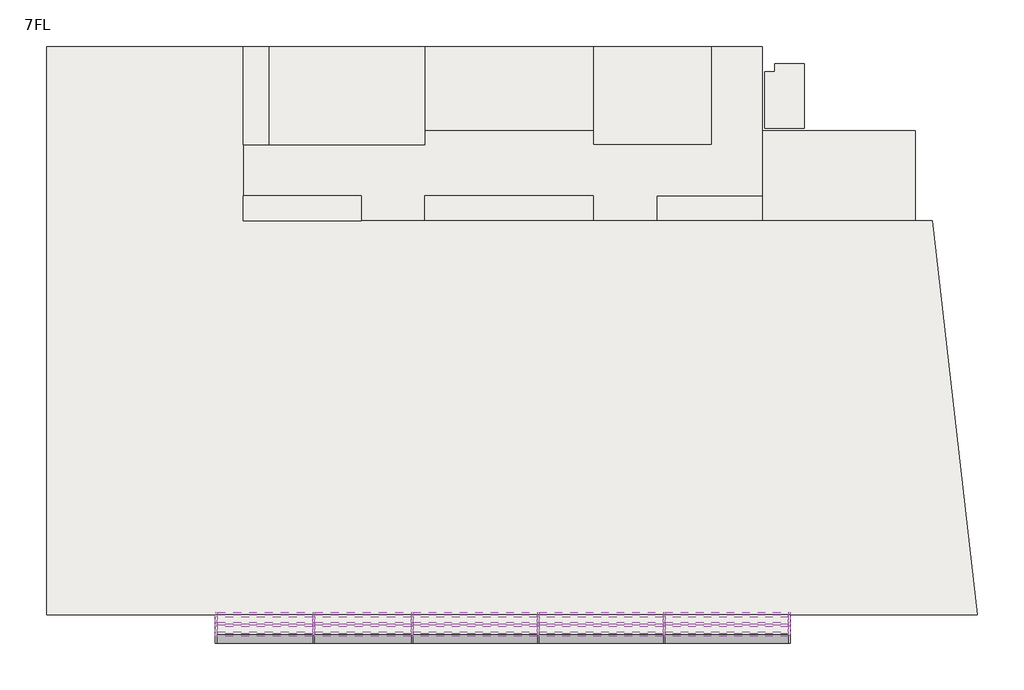
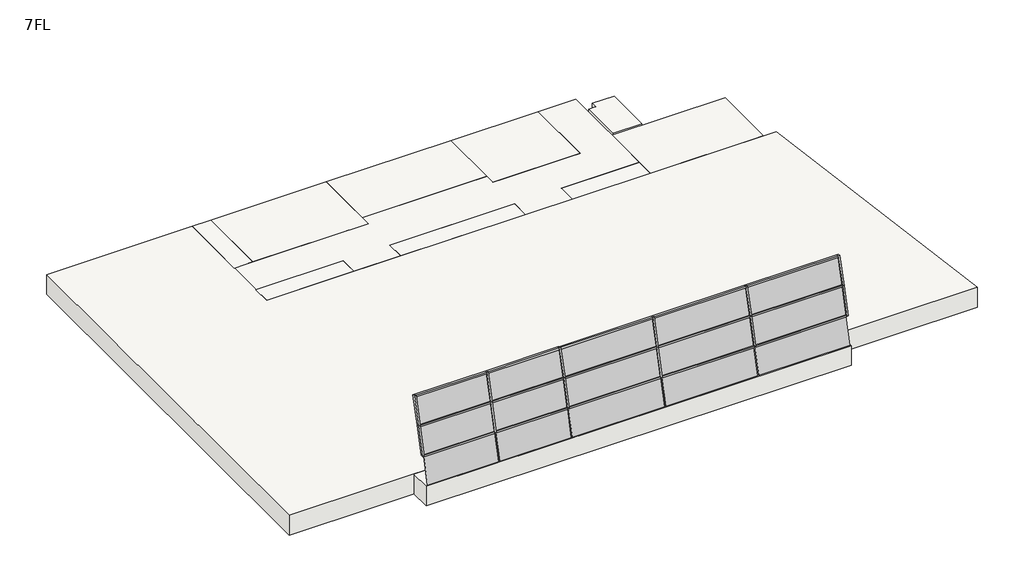
# One storey: 27 members, 15 plates, 12 slabs.
"""IFC4 building model written with IfcOpenShell, lengths in millimetres."""

import ifcopenshell
import ifcopenshell.guid

model = None  # the IFC model being written
_history = None  # IfcOwnerHistory: only IFC2X3 demands one
_inside = {}  # id of a spatial element -> (the spatial element, [elements in it])
_under = {}  # id of a project, library or spatial element -> (it, [spatial elements below it])
_declared = {}  # id of a project -> (the project, [libraries it declares])
_typed = {}  # id of a type object -> (the type object, [elements of that type])
_made_of = {}  # id of a material, layer set ... -> (it, [elements and type objects made of it])


def new_model(schema):
    """Start an empty IFC model of exactly this schema.

    Asked for "IFC4X3", IfcOpenShell would pick the latest addendum, in which some entities
    have other attributes; the version numbers below select the first issue.
    IFC2X3 requires an IfcOwnerHistory on every rooted entity: one is made here for all.
    """
    global model, _history
    if schema == "IFC4X3":
        model = ifcopenshell.file(schema_version=(4, 3, 0, 0))
    else:
        model = ifcopenshell.file(schema=schema)
    _inside.clear()
    _under.clear()
    _declared.clear()
    _typed.clear()
    _made_of.clear()
    _history = None
    if model.schema == "IFC2X3":
        org = make("IfcOrganization", Name="unknown")
        user = make(
            "IfcPersonAndOrganization",
            ThePerson=make("IfcPerson", FamilyName="unknown"),
            TheOrganization=org,
        )
        app = make(
            "IfcApplication",
            ApplicationDeveloper=org,
            Version="unknown",
            ApplicationFullName="unknown",
            ApplicationIdentifier="unknown",
        )
        _history = make(
            "IfcOwnerHistory",
            OwningUser=user,
            OwningApplication=app,
            ChangeAction="ADDED",
            CreationDate=0,
        )
    return model


def make(cls, **values):
    """One entity of the class cls with the attributes given. An attribute that is None is left unset."""
    return model.create_entity(
        cls, **{name: value for name, value in values.items() if value is not None}
    )


def rooted(cls, **values):
    """An entity with a GlobalId (a new one), such as an element, a storey or a relation."""
    return make(cls, GlobalId=ifcopenshell.guid.new(), OwnerHistory=_history, **values)


def si_unit(unit_type, name, prefix=None):
    """IfcSIUnit, for example si_unit("LENGTHUNIT", "METRE", prefix="MILLI")."""
    return make("IfcSIUnit", UnitType=unit_type, Prefix=prefix, Name=name)


def assignment(units):
    """IfcUnitAssignment: the units of a project."""
    return None if units is None else make("IfcUnitAssignment", Units=units)


def point(xyz):
    """IfcCartesianPoint."""
    return None if xyz is None else make("IfcCartesianPoint", Coordinates=xyz)


def direction(xyz):
    """IfcDirection."""
    return None if xyz is None else make("IfcDirection", DirectionRatios=xyz)


def frame(location, z_axis=None, x_axis=None):
    """IfcAxis2Placement3D, a coordinate frame: its origin and axes. An axis left out is left unset."""
    return make(
        "IfcAxis2Placement3D",
        Location=point(location),
        Axis=direction(z_axis),
        RefDirection=direction(x_axis),
    )


def origin():
    """The frame at (0, 0, 0) with its axes left unset."""
    return frame((0.0, 0.0, 0.0))


def origin_with_axes():
    """The frame at (0, 0, 0) with the z axis (0, 0, 1) and the x axis (1, 0, 0) written out."""
    return frame((0.0, 0.0, 0.0), z_axis=(0.0, 0.0, 1.0), x_axis=(1.0, 0.0, 0.0))


def place(relative_to, where):
    """IfcLocalPlacement: puts the frame where relative to a parent placement (None: the world)."""
    return make(
        "IfcLocalPlacement", PlacementRelTo=relative_to, RelativePlacement=where
    )


def context(
    kind, dimensions, precision=None, world=None, true_north=None, identifier=None
):
    """IfcGeometricRepresentationContext, for example the 3D "Model" context."""
    return make(
        "IfcGeometricRepresentationContext",
        ContextIdentifier=identifier,
        ContextType=kind,
        CoordinateSpaceDimension=dimensions,
        Precision=precision,
        WorldCoordinateSystem=world,
        TrueNorth=true_north,
    )


def project(units=None, contexts=None):
    """IfcProject with its units and contexts."""
    return rooted(
        "IfcProject",
        Name="project",
        RepresentationContexts=contexts,
        UnitsInContext=assignment(units),
    )


def spatial(cls, under=None, at=None, **own):
    """A site, building, storey or space (cls), placed at a placement, below another one or the project."""
    s = rooted(cls, ObjectPlacement=at, **own)
    if under is not None:
        _under.setdefault(under.id(), (under, []))[1].append(s)
    return s


def polyline(points):
    """IfcPolyline through the points."""
    return make("IfcPolyline", Points=[point(p) for p in points])


def outline(outer, holes=None, kind="AREA"):
    """IfcArbitraryClosedProfileDef: a profile drawn as a closed curve; with holes, ...WithVoids."""
    if holes is None:
        return make("IfcArbitraryClosedProfileDef", ProfileType=kind, OuterCurve=outer)
    return make(
        "IfcArbitraryProfileDefWithVoids",
        ProfileType=kind,
        OuterCurve=outer,
        InnerCurves=holes,
    )


def extrude(swept, where, along, depth):
    """IfcExtrudedAreaSolid: the profile swept, set in the frame where, extruded along a direction by depth."""
    return make(
        "IfcExtrudedAreaSolid",
        SweptArea=swept,
        Position=where,
        ExtrudedDirection=direction(along),
        Depth=depth,
    )


def shape(context_of_items, identifier, shape_type, items):
    """IfcShapeRepresentation: the items that make up one representation, for example the "Body"."""
    return make(
        "IfcShapeRepresentation",
        ContextOfItems=context_of_items,
        RepresentationIdentifier=identifier,
        RepresentationType=shape_type,
        Items=items,
    )


def source(mapping_origin, context_of_items, identifier, shape_type, items):
    """IfcRepresentationMap: a shape defined once, which mapped items show again and again."""
    return make(
        "IfcRepresentationMap",
        MappingOrigin=mapping_origin,
        MappedRepresentation=shape(context_of_items, identifier, shape_type, items),
    )


def transform(
    local_origin,
    x_axis=None,
    y_axis=None,
    z_axis=None,
    scale=None,
    scale2=None,
    scale3=None,
    uniform=True,
):
    """IfcCartesianTransformationOperator3D, or its non-uniform kind. x_axis, y_axis, z_axis: its Axis1, 2, 3."""
    if uniform:
        return make(
            "IfcCartesianTransformationOperator3D",
            Axis1=direction(x_axis),
            Axis2=direction(y_axis),
            LocalOrigin=point(local_origin),
            Scale=scale,
            Axis3=direction(z_axis),
        )
    return make(
        "IfcCartesianTransformationOperator3DnonUniform",
        Axis1=direction(x_axis),
        Axis2=direction(y_axis),
        LocalOrigin=point(local_origin),
        Scale=scale,
        Axis3=direction(z_axis),
        Scale2=scale2,
        Scale3=scale3,
    )


def mapped(mapping_source, mapping_target):
    """IfcMappedItem: shows the shape of a source again, moved by a transform."""
    return make(
        "IfcMappedItem", MappingSource=mapping_source, MappingTarget=mapping_target
    )


def made_of(thing, what):
    """Note that an element or type object is made of a material, layer set ...; save() writes the relation."""
    if what is not None:
        _made_of.setdefault(what.id(), (what, []))[1].append(thing)
    return thing


def element(
    cls,
    number,
    at=None,
    inside=None,
    cuts=None,
    type_object=None,
    material=None,
    context=None,
    identifier="Body",
    shape_type=None,
    held_by="IfcProductDefinitionShape",
    body=None,
    shapes=None,
    **own,
):
    """One element of the class cls, such as IfcWall. Its Tag is "e" and its number.

    at: its placement. inside: the storey or other place that contains it. cuts: it is an
    opening in that element (IfcRelVoidsElement). A single representation is given by context,
    identifier, shape_type and body (its items); several are given by shapes. held_by: the class
    of the entity that holds the representations. save() writes the other relations.
    """
    e = rooted(cls, Tag="e%d" % number, ObjectPlacement=at, **own)
    if body is not None:
        shapes = [shape(context, identifier, shape_type, body)]
    if shapes is not None:
        e.Representation = make(held_by, Representations=shapes)
    if inside is not None:
        _inside.setdefault(inside.id(), (inside, []))[1].append(e)
    if cuts is not None:
        rooted(
            "IfcRelVoidsElement", RelatingBuildingElement=cuts, RelatedOpeningElement=e
        )
    if type_object is not None:
        _typed.setdefault(type_object.id(), (type_object, []))[1].append(e)
    return made_of(e, material)


def aggregate(whole, parts):
    """IfcRelAggregates: a whole, such as a stair, and the parts it consists of."""
    return rooted("IfcRelAggregates", RelatingObject=whole, RelatedObjects=parts)


def save(model, path):
    """Write the relations noted so far, then the file.

    IfcRelAggregates (storeys below a building ...), IfcRelContainedInSpatialStructure (elements
    in a storey), IfcRelDefinesByType, IfcRelAssociatesMaterial and IfcRelDeclares: one each for
    every whole, place, type object, material and project.
    """
    for whole, parts in _under.values():
        aggregate(whole, parts)
    for where, things in _inside.values():
        rooted(
            "IfcRelContainedInSpatialStructure",
            RelatedElements=things,
            RelatingStructure=where,
        )
    for kind, things in _typed.values():
        rooted("IfcRelDefinesByType", RelatedObjects=things, RelatingType=kind)
    for what, things in _made_of.values():
        rooted("IfcRelAssociatesMaterial", RelatedObjects=things, RelatingMaterial=what)
    for by, libraries in _declared.values():
        rooted("IfcRelDeclares", RelatingContext=by, RelatedDefinitions=libraries)
    model.write(path)


def member_70x150_eea45503(model_context):
    return source(origin(), model_context, "Body", "SweptSolid", [
        extrude(outline(polyline([(-75.0, 0.1148654), (75.0, -0.1148654), (75.0, -1374.5594116), (-75.0, -1373.4451002), (-75.0, 0.1148654)])), frame((-35.0, 0.0, 0.0), z_axis=(1.0, 0.0, 0.0), x_axis=(0.0, 1.0, 0.0)), (0.0, 0.0, 1.0), 70.0),
    ])


def member_70x150_4811c8ea(model_context):
    return source(origin(), model_context, "Body", "SweptSolid", [
        extrude(outline(polyline([(-75.0, -0.5571557), (75.0, 0.5571557), (75.0, -1376.3360336), (-75.0, -1376.3360336), (-75.0, -0.5571557)])), frame((-35.0, 0.0, 0.0), z_axis=(1.0, 0.0, 0.0), x_axis=(0.0, 1.0, 0.0)), (0.0, 0.0, 1.0), 70.0),
    ])


def member_70x150_bba5452b(model_context):
    return source(origin(), model_context, "Body", "SweptSolid", [
        extrude(outline(polyline([(35.0, 75.0), (35.0, -75.0), (-35.0, -75.0), (-35.0, 75.0), (35.0, 75.0)])), frame((0.0, 0.0, -4413.3333333), z_axis=(0.0, 0.0, 1.0), x_axis=(1.0, 0.0, 0.0)), (0.0, 0.0, 1.0), 4413.3333333),
    ])


def member_70x150_7418113c(model_context):
    return source(origin(), model_context, "Body", "SweptSolid", [
        extrude(outline(polyline([(35.0, 75.0), (35.0, -75.0), (-35.0, -75.0), (-35.0, 75.0), (35.0, 75.0)])), frame((0.0, 0.0, -3430.0), z_axis=(0.0, 0.0, 1.0), x_axis=(1.0, 0.0, 0.0)), (0.0, 0.0, 1.0), 3430.0),
    ])


def member_70x150_d36ba8ce(model_context):
    return source(origin(), model_context, "Body", "SweptSolid", [
        extrude(outline(polyline([(35.0, 75.0), (35.0, -75.0), (-35.0, -75.0), (-35.0, 75.0), (35.0, 75.0)])), frame((0.0, 0.0, -3395.0), z_axis=(0.0, 0.0, 1.0), x_axis=(1.0, 0.0, 0.0)), (0.0, 0.0, 1.0), 3395.0),
    ])


def member_70x150_196fadc4(model_context):
    return source(origin(), model_context, "Body", "SweptSolid", [
        extrude(outline(polyline([(35.0, 75.0), (35.0, -75.0), (-35.0, -75.0), (-35.0, 75.0), (35.0, 75.0)])), frame((0.0, 0.0, -4378.3333333), z_axis=(0.0, 0.0, 1.0), x_axis=(1.0, 0.0, 0.0)), (0.0, 0.0, 1.0), 4378.3333333),
    ])


def member_70x150_47f9d012(model_context):
    return source(origin(), model_context, "Body", "SweptSolid", [
        extrude(outline(polyline([(-75.0, -0.5571557), (75.0, 0.5571557), (75.0, -1373.8873906), (-75.0, -1374.1171213), (-75.0, -0.5571557)])), frame((-70.0, 0.0, 0.0), z_axis=(1.0, 0.0, 0.0), x_axis=(0.0, 1.0, 0.0)), (0.0, 0.0, 1.0), 70.0),
    ])


def member_70x150_d4b40724(model_context):
    return source(origin(), model_context, "Body", "SweptSolid", [
        extrude(outline(polyline([(0.0, 75.0), (0.0, -75.0), (-70.0, -75.0), (-70.0, 75.0), (0.0, 75.0)])), frame((0.0, 0.0, -4413.3333333), z_axis=(0.0, 0.0, 1.0), x_axis=(1.0, 0.0, 0.0)), (0.0, 0.0, 1.0), 4413.3333333),
    ])


def member_70x150_0479a1cf(model_context):
    return source(origin(), model_context, "Body", "SweptSolid", [
        extrude(outline(polyline([(0.0, 75.0), (0.0, -75.0), (-70.0, -75.0), (-70.0, 75.0), (0.0, 75.0)])), frame((0.0, 0.0, -3395.0), z_axis=(0.0, 0.0, 1.0), x_axis=(1.0, 0.0, 0.0)), (0.0, 0.0, 1.0), 3395.0),
    ])


def member_70x150_b7995fa3(model_context):
    return source(origin(), model_context, "Body", "SweptSolid", [
        extrude(outline(polyline([(0.0, 75.0), (0.0, -75.0), (-70.0, -75.0), (-70.0, 75.0), (0.0, 75.0)])), frame((0.0, 0.0, -3430.0), z_axis=(0.0, 0.0, 1.0), x_axis=(1.0, 0.0, 0.0)), (0.0, 0.0, 1.0), 3430.0),
    ])


def member_70x150_12fba919(model_context):
    return source(origin(), model_context, "Body", "SweptSolid", [
        extrude(outline(polyline([(-75.0, 0.1148654), (75.0, -0.1148654), (75.0, -1374.5594116), (-75.0, -1373.4451002), (-75.0, 0.1148654)])), frame((-70.0, 0.0, 0.0), z_axis=(1.0, 0.0, 0.0), x_axis=(0.0, 1.0, 0.0)), (0.0, 0.0, 1.0), 70.0),
    ])


def member_70x150_3bd6464e(model_context):
    return source(origin(), model_context, "Body", "SweptSolid", [
        extrude(outline(polyline([(-75.0, -0.5571557), (75.0, 0.5571557), (75.0, -1376.3360336), (-75.0, -1376.3360336), (-75.0, -0.5571557)])), frame((-70.0, 0.0, 0.0), z_axis=(1.0, 0.0, 0.0), x_axis=(0.0, 1.0, 0.0)), (0.0, 0.0, 1.0), 70.0),
    ])


def member_70x150_7820ca82(model_context):
    return source(origin(), model_context, "Body", "SweptSolid", [
        extrude(outline(polyline([(-75.0, 0.0), (75.0, 0.0), (75.0, -1376.8931893), (-75.0, -1375.7788779), (-75.0, 0.0)])), frame((-70.0, 0.0, 0.0), z_axis=(1.0, 0.0, 0.0), x_axis=(0.0, 1.0, 0.0)), (0.0, 0.0, 1.0), 70.0),
    ])


def member_70x150_bca61de2(model_context):
    return source(origin(), model_context, "Body", "SweptSolid", [
        extrude(outline(polyline([(0.0, 75.0), (0.0, -75.0), (-70.0, -75.0), (-70.0, 75.0), (0.0, 75.0)])), frame((0.0, 0.0, -4378.3333333), z_axis=(0.0, 0.0, 1.0), x_axis=(1.0, 0.0, 0.0)), (0.0, 0.0, 1.0), 4378.3333333),
    ])


def plate_9692e4fa(model_context):
    return source(origin(), model_context, "Body", "SweptSolid", [
        extrude(outline(polyline([(1697.5, -5.0), (-1697.5, -5.0), (-1697.5, 5.0), (1697.5, 5.0), (1697.5, -5.0)])), origin_with_axes(), (0.0, 0.0, 1.0), 1308.5896702),
    ])


def plate_f11d1d75(model_context):
    return source(origin(), model_context, "Body", "SweptSolid", [
        extrude(outline(polyline([(1697.5, -5.0), (-1697.5, -5.0), (-1697.5, 5.0), (1697.5, 5.0), (1697.5, -5.0)])), origin_with_axes(), (0.0, 0.0, 1.0), 1271.3360336),
    ])


def plate_46db5dea(model_context):
    return source(origin(), model_context, "Body", "SweptSolid", [
        extrude(outline(polyline([(1697.5, -5.0), (-1697.5, -5.0), (-1697.5, 5.0), (1697.5, 5.0), (1697.5, -5.0)])), origin_with_axes(), (0.0, 0.0, 1.0), 1304.0022559),
    ])


def plate_239037d2(model_context):
    return source(origin(), model_context, "Body", "SweptSolid", [
        extrude(outline(polyline([(2206.6666667, -5.0), (-2206.6666667, -5.0), (-2206.6666667, 5.0), (2206.6666667, 5.0), (2206.6666667, -5.0)])), origin_with_axes(), (0.0, 0.0, 1.0), 1308.5896702),
    ])


def plate_47bbfc24(model_context):
    return source(origin(), model_context, "Body", "SweptSolid", [
        extrude(outline(polyline([(2206.6666667, -5.0), (-2206.6666667, -5.0), (-2206.6666667, 5.0), (2206.6666667, 5.0), (2206.6666667, -5.0)])), origin_with_axes(), (0.0, 0.0, 1.0), 1304.0022559),
    ])


def plate_ddc2c518(model_context):
    return source(origin(), model_context, "Body", "SweptSolid", [
        extrude(outline(polyline([(2206.6666667, -5.0), (-2206.6666667, -5.0), (-2206.6666667, 5.0), (2206.6666667, 5.0), (2206.6666667, -5.0)])), origin_with_axes(), (0.0, 0.0, 1.0), 1271.3360336),
    ])


def plate_61a742bf(model_context):
    return source(origin(), model_context, "Body", "SweptSolid", [
        extrude(outline(polyline([(1715.0, -5.0), (-1715.0, -5.0), (-1715.0, 5.0), (1715.0, 5.0), (1715.0, -5.0)])), origin_with_axes(), (0.0, 0.0, 1.0), 1308.5896702),
    ])


def plate_549cec87(model_context):
    return source(origin(), model_context, "Body", "SweptSolid", [
        extrude(outline(polyline([(1715.0, -5.0), (-1715.0, -5.0), (-1715.0, 5.0), (1715.0, 5.0), (1715.0, -5.0)])), origin_with_axes(), (0.0, 0.0, 1.0), 1304.0022559),
    ])


def plate_9ea5d261(model_context):
    return source(origin(), model_context, "Body", "SweptSolid", [
        extrude(outline(polyline([(1715.0, -5.0), (-1715.0, -5.0), (-1715.0, 5.0), (1715.0, 5.0), (1715.0, -5.0)])), origin_with_axes(), (0.0, 0.0, 1.0), 1271.3360336),
    ])


def plate_75c09d78(model_context):
    return source(origin(), model_context, "Body", "SweptSolid", [
        extrude(outline(polyline([(2189.1666667, -5.0), (-2189.1666667, -5.0), (-2189.1666667, 5.0), (2189.1666667, 5.0), (2189.1666667, -5.0)])), origin_with_axes(), (0.0, 0.0, 1.0), 1308.5896702),
    ])


def plate_e2205a2a(model_context):
    return source(origin(), model_context, "Body", "SweptSolid", [
        extrude(outline(polyline([(2189.1666667, -5.0), (-2189.1666667, -5.0), (-2189.1666667, 5.0), (2189.1666667, 5.0), (2189.1666667, -5.0)])), origin_with_axes(), (0.0, 0.0, 1.0), 1304.0022559),
    ])


def plate_d548f6b0(model_context):
    return source(origin(), model_context, "Body", "SweptSolid", [
        extrude(outline(polyline([(2189.1666667, -5.0), (-2189.1666667, -5.0), (-2189.1666667, 5.0), (2189.1666667, 5.0), (2189.1666667, -5.0)])), origin_with_axes(), (0.0, 0.0, 1.0), 1271.3360336),
    ])


model = new_model("IFC4")

# Units and contexts
model_context = context("Model", 3, world=origin())
ifc_project = project(units=[si_unit("LENGTHUNIT", "METRE", prefix="MILLI")], contexts=[model_context])

# Site, building, storey
site = spatial("IfcSite", under=ifc_project)
building = spatial("IfcBuilding", under=site)
storey = spatial("IfcBuildingStorey", under=building, Name="7FL", Elevation=24600.0)

# Members
placement = place(None, origin())
member_70x150_shape = member_70x150_eea45503(model_context)
element("IfcMember", 1, ObjectType="70x150", at=placement, inside=storey, context=model_context, shape_type="MappedRepresentation", body=[
    mapped(member_70x150_shape, transform((-15845.9784025, -4235.8981601, 25936.5592913), x_axis=(1.0, 0.0, 0.0), y_axis=(0.0, -0.9702580771705492, 0.2420728478894497), z_axis=(0.0, -0.24207284788944966, -0.9702580771705491))),
])
element("IfcMember", 2, ObjectType="70x150", at=placement, inside=storey, context=model_context, shape_type="MappedRepresentation", body=[
    mapped(member_70x150_shape, transform((-19345.9784025, -4235.8981601, 25936.5592913), x_axis=(1.0, 0.0, 0.0), y_axis=(0.0, -0.9702580771705491, 0.24207284788945005), z_axis=(0.0, -0.24207284788945005, -0.9702580771705491))),
])
element("IfcMember", 3, ObjectType="70x150", at=placement, inside=storey, context=model_context, shape_type="MappedRepresentation", body=[
    mapped(member_70x150_shape, transform((-6879.3117358, -4235.8981601, 25936.5592913), x_axis=(1.0, 0.0, 0.0), y_axis=(0.0, -0.9702580771705491, 0.24207284788945005), z_axis=(0.0, -0.24207284788945005, -0.9702580771705491))),
])
element("IfcMember", 4, ObjectType="70x150", at=placement, inside=storey, context=model_context, shape_type="MappedRepresentation", body=[
    mapped(member_70x150_shape, transform((-11362.6450692, -4235.8981601, 25936.5592913), x_axis=(1.0, 0.0, 0.0), y_axis=(0.0, -0.9702580771705491, 0.24207284788945005), z_axis=(0.0, -0.24207284788945005, -0.9702580771705491))),
])
member_70x150_2_shape = member_70x150_4811c8ea(model_context)
element("IfcMember", 5, ObjectType="70x150", at=placement, inside=storey, context=model_context, shape_type="MappedRepresentation", body=[
    mapped(member_70x150_2_shape, transform((-15845.9784025, -3903.289521, 27269.6960781), x_axis=(1.0, 0.0, 0.0), y_axis=(0.0, -0.9665545981452297, 0.25646093036623285), z_axis=(0.0, -0.2564609303662328, -0.9665545981452296))),
])
element("IfcMember", 6, ObjectType="70x150", at=placement, inside=storey, context=model_context, shape_type="MappedRepresentation", body=[
    mapped(member_70x150_2_shape, transform((-19345.9784025, -3903.289521, 27269.6960781), x_axis=(1.0, 0.0, 0.0), y_axis=(0.0, -0.9665545981452298, 0.25646093036623246), z_axis=(0.0, -0.25646093036623246, -0.9665545981452298))),
])
element("IfcMember", 7, ObjectType="70x150", at=placement, inside=storey, context=model_context, shape_type="MappedRepresentation", body=[
    mapped(member_70x150_2_shape, transform((-6879.3117358, -3903.289521, 27269.6960781), x_axis=(1.0, 0.0, 0.0), y_axis=(0.0, -0.9665545981452299, 0.25646093036623163), z_axis=(0.0, -0.25646093036623163, -0.9665545981452299))),
])
element("IfcMember", 8, ObjectType="70x150", at=placement, inside=storey, context=model_context, shape_type="MappedRepresentation", body=[
    mapped(member_70x150_2_shape, transform((-11362.6450692, -3903.289521, 27269.6960781), x_axis=(1.0, 0.0, 0.0), y_axis=(0.0, -0.9665545981452298, 0.25646093036623246), z_axis=(0.0, -0.25646093036623246, -0.9665545981452298))),
])
member_70x150_3_shape = member_70x150_bba5452b(model_context)
element("IfcMember", 9, ObjectType="70x150", at=placement, inside=storey, context=model_context, shape_type="MappedRepresentation", body=[
    mapped(member_70x150_3_shape, transform((-6914.3117358, -4235.8981601, 25936.5592913), x_axis=(0.0, 0.24108878700660236, 0.9705030637662537), y_axis=(0.0, -0.9705030637662537, 0.24108878700660236), z_axis=(1.0, 0.0, 0.0))),
])
element("IfcMember", 10, ObjectType="70x150", at=placement, inside=storey, context=model_context, shape_type="MappedRepresentation", body=[
    mapped(member_70x150_3_shape, transform((-11397.6450692, -4235.8981601, 25936.5592913), x_axis=(0.0, 0.2410887870066024, 0.9705030637662537), y_axis=(0.0, -0.9705030637662537, 0.2410887870066024), z_axis=(1.0, 0.0, 0.0))),
])
element("IfcMember", 11, ObjectType="70x150", at=placement, inside=storey, context=model_context, shape_type="MappedRepresentation", body=[
    mapped(member_70x150_3_shape, transform((-6914.3117358, -3903.289521, 27269.6960781), x_axis=(0.0, 0.2461732683785715, 0.9692258363951158), y_axis=(0.0, -0.9692258363951158, 0.2461732683785715), z_axis=(1.0, 0.0, 0.0))),
])
element("IfcMember", 12, ObjectType="70x150", at=placement, inside=storey, context=model_context, shape_type="MappedRepresentation", body=[
    mapped(member_70x150_3_shape, transform((-11397.6450692, -3903.289521, 27269.6960781), x_axis=(0.0, 0.24617326837857148, 0.9692258363951158), y_axis=(0.0, -0.9692258363951158, 0.24617326837857148), z_axis=(1.0, 0.0, 0.0))),
])
member_70x150_4_shape = member_70x150_7418113c(model_context)
element("IfcMember", 13, ObjectType="70x150", at=placement, inside=storey, context=model_context, shape_type="MappedRepresentation", body=[
    mapped(member_70x150_4_shape, transform((-15880.9784025, -4235.8981601, 25936.5592913), x_axis=(0.0, 0.2410887870066024, 0.9705030637662537), y_axis=(0.0, -0.9705030637662537, 0.2410887870066024), z_axis=(1.0, 0.0, 0.0))),
])
element("IfcMember", 14, ObjectType="70x150", at=placement, inside=storey, context=model_context, shape_type="MappedRepresentation", body=[
    mapped(member_70x150_4_shape, transform((-15880.9784025, -3903.289521, 27269.6960781), x_axis=(0.0, 0.24617326837857148, 0.9692258363951158), y_axis=(0.0, -0.9692258363951158, 0.24617326837857148), z_axis=(1.0, 0.0, 0.0))),
])
member_70x150_5_shape = member_70x150_d36ba8ce(model_context)
element("IfcMember", 15, ObjectType="70x150", at=placement, inside=storey, context=model_context, shape_type="MappedRepresentation", body=[
    mapped(member_70x150_5_shape, transform((-19380.9784025, -4235.8981601, 25936.5592913), x_axis=(0.0, 0.24108878700660244, 0.9705030637662537), y_axis=(0.0, -0.9705030637662537, 0.24108878700660244), z_axis=(1.0, 0.0, 0.0))),
])
element("IfcMember", 16, ObjectType="70x150", at=placement, inside=storey, context=model_context, shape_type="MappedRepresentation", body=[
    mapped(member_70x150_5_shape, transform((-19380.9784025, -3903.289521, 27269.6960781), x_axis=(0.0, 0.2461732683785713, 0.9692258363951158), y_axis=(0.0, -0.9692258363951158, 0.2461732683785713), z_axis=(1.0, 0.0, 0.0))),
])
member_70x150_6_shape = member_70x150_196fadc4(model_context)
element("IfcMember", 17, ObjectType="70x150", at=placement, inside=storey, context=model_context, shape_type="MappedRepresentation", body=[
    mapped(member_70x150_6_shape, transform((-2465.9784025, -4235.8981601, 25936.5592913), x_axis=(0.0, 0.24108878700660236, 0.9705030637662537), y_axis=(0.0, -0.9705030637662537, 0.24108878700660236), z_axis=(1.0, 0.0, 0.0))),
])
element("IfcMember", 18, ObjectType="70x150", at=placement, inside=storey, context=model_context, shape_type="MappedRepresentation", body=[
    mapped(member_70x150_6_shape, transform((-2465.9784025, -3903.289521, 27269.6960781), x_axis=(0.0, 0.2461732683785713, 0.9692258363951158), y_axis=(0.0, -0.9692258363951158, 0.2461732683785713), z_axis=(1.0, 0.0, 0.0))),
])
member_70x150_7_shape = member_70x150_47f9d012(model_context)
element("IfcMember", 19, ObjectType="70x150", at=placement, inside=storey, context=model_context, shape_type="MappedRepresentation", body=[
    mapped(member_70x150_7_shape, transform((-22845.9784025, -3903.289521, 27269.6960781), x_axis=(-1.0, 0.0, 0.0), y_axis=(0.0, -0.9702580771705491, 0.24207284788945005), z_axis=(0.0, 0.24207284788945005, 0.9702580771705491))),
])
member_70x150_8_shape = member_70x150_d4b40724(model_context)
element("IfcMember", 20, ObjectType="70x150", at=placement, inside=storey, context=model_context, shape_type="MappedRepresentation", body=[
    mapped(member_70x150_8_shape, transform((-6914.3117358, -3550.3131013, 28600.0), x_axis=(0.0, 0.25646093036623163, 0.9665545981452299), y_axis=(0.0, -0.9665545981452299, 0.25646093036623163), z_axis=(1.0, 0.0, 0.0))),
])
element("IfcMember", 21, ObjectType="70x150", at=placement, inside=storey, context=model_context, shape_type="MappedRepresentation", body=[
    mapped(member_70x150_8_shape, transform((-11397.6450692, -3550.3131013, 28600.0), x_axis=(0.0, 0.2564609303662324, 0.9665545981452298), y_axis=(0.0, -0.9665545981452298, 0.2564609303662324), z_axis=(1.0, 0.0, 0.0))),
])
member_70x150_9_shape = member_70x150_0479a1cf(model_context)
element("IfcMember", 22, ObjectType="70x150", at=placement, inside=storey, context=model_context, shape_type="MappedRepresentation", body=[
    mapped(member_70x150_9_shape, transform((-19380.9784025, -3550.3131013, 28600.0), x_axis=(0.0, 0.25646093036623246, 0.9665545981452297), y_axis=(0.0, -0.9665545981452297, 0.25646093036623246), z_axis=(1.0, 0.0, 0.0))),
])
member_70x150_10_shape = member_70x150_b7995fa3(model_context)
element("IfcMember", 23, ObjectType="70x150", at=placement, inside=storey, context=model_context, shape_type="MappedRepresentation", body=[
    mapped(member_70x150_10_shape, transform((-15880.9784025, -3550.3131013, 28600.0), x_axis=(0.0, 0.25646093036623285, 0.9665545981452297), y_axis=(0.0, -0.9665545981452297, 0.25646093036623285), z_axis=(1.0, 0.0, 0.0))),
])
member_70x150_11_shape = member_70x150_12fba919(model_context)
element("IfcMember", 24, ObjectType="70x150", at=placement, inside=storey, context=model_context, shape_type="MappedRepresentation", body=[
    mapped(member_70x150_11_shape, transform((-2395.9784025, -4235.8981601, 25936.5592913), x_axis=(1.0, 0.0, 0.0), y_axis=(0.0, -0.9702580771705491, 0.24207284788945005), z_axis=(0.0, -0.24207284788945005, -0.9702580771705491))),
])
member_70x150_12_shape = member_70x150_3bd6464e(model_context)
element("IfcMember", 25, ObjectType="70x150", at=placement, inside=storey, context=model_context, shape_type="MappedRepresentation", body=[
    mapped(member_70x150_12_shape, transform((-2395.9784025, -3903.289521, 27269.6960781), x_axis=(1.0, 0.0, 0.0), y_axis=(0.0, -0.9665545981452298, 0.25646093036623246), z_axis=(0.0, -0.25646093036623246, -0.9665545981452298))),
])
member_70x150_13_shape = member_70x150_7820ca82(model_context)
element("IfcMember", 26, ObjectType="70x150", at=placement, inside=storey, context=model_context, shape_type="MappedRepresentation", body=[
    mapped(member_70x150_13_shape, transform((-22845.9784025, -3550.3131013, 28600.0), x_axis=(-1.0, 0.0, 0.0), y_axis=(0.0, -0.9665545981452298, 0.25646093036623246), z_axis=(0.0, 0.25646093036623246, 0.9665545981452298))),
])
member_70x150_14_shape = member_70x150_bca61de2(model_context)
element("IfcMember", 27, ObjectType="70x150", at=placement, inside=storey, context=model_context, shape_type="MappedRepresentation", body=[
    mapped(member_70x150_14_shape, transform((-2465.9784025, -3550.3131013, 28600.0), x_axis=(0.0, 0.2564609303662324, 0.9665545981452297), y_axis=(0.0, -0.9665545981452297, 0.2564609303662324), z_axis=(1.0, 0.0, 0.0))),
])

# Plates
plate_shape = plate_9692e4fa(model_context)
element("IfcPlate", 28, at=placement, inside=storey, context=model_context, shape_type="MappedRepresentation", body=[
    mapped(plate_shape, transform((-21078.4784025, -4565.1363167, 24633.9329297), x_axis=(1.0, 0.0, 0.0), y_axis=(0.0, 0.9695120396803403, -0.24504367960603773), z_axis=(0.0, 0.24504367960603773, 0.9695120396803403))),
])
plate_2_shape = plate_f11d1d75(model_context)
element("IfcPlate", 29, at=placement, inside=storey, context=model_context, shape_type="MappedRepresentation", body=[
    mapped(plate_2_shape, transform((-21078.4784025, -3894.3133884, 27303.5254891), x_axis=(1.0, 0.0, 0.0), y_axis=(0.0, 0.9665545981452297, -0.25646093036623246), z_axis=(0.0, 0.25646093036623246, 0.9665545981452297))),
])
plate_3_shape = plate_46db5dea(model_context)
element("IfcPlate", 30, at=placement, inside=storey, context=model_context, shape_type="MappedRepresentation", body=[
    mapped(plate_3_shape, transform((-21078.4784025, -4227.4256104, 25970.518324), x_axis=(1.0, 0.0, 0.0), y_axis=(0.0, 0.9702580771705491, -0.24207284788945005), z_axis=(0.0, 0.24207284788945005, 0.9702580771705491))),
])
plate_4_shape = plate_239037d2(model_context)
element("IfcPlate", 31, at=placement, inside=storey, context=model_context, shape_type="MappedRepresentation", body=[
    mapped(plate_4_shape, transform((-13604.3117358, -4565.1363167, 24633.9329297), x_axis=(1.0, 0.0, 0.0), y_axis=(0.0, 0.9695120396803403, -0.24504367960603773), z_axis=(0.0, 0.24504367960603773, 0.9695120396803403))),
])
element("IfcPlate", 32, at=placement, inside=storey, context=model_context, shape_type="MappedRepresentation", body=[
    mapped(plate_4_shape, transform((-9120.9784025, -4565.1363167, 24633.9329297), x_axis=(1.0, 0.0, 0.0), y_axis=(0.0, 0.9695120396803403, -0.24504367960603773), z_axis=(0.0, 0.24504367960603773, 0.9695120396803403))),
])
plate_5_shape = plate_47bbfc24(model_context)
element("IfcPlate", 33, at=placement, inside=storey, context=model_context, shape_type="MappedRepresentation", body=[
    mapped(plate_5_shape, transform((-13604.3117358, -4227.4256104, 25970.518324), x_axis=(1.0, 0.0, 0.0), y_axis=(0.0, 0.9702580771705491, -0.24207284788945002), z_axis=(0.0, 0.24207284788945002, 0.9702580771705491))),
])
element("IfcPlate", 34, at=placement, inside=storey, context=model_context, shape_type="MappedRepresentation", body=[
    mapped(plate_5_shape, transform((-9120.9784025, -4227.4256104, 25970.518324), x_axis=(1.0, 0.0, 0.0), y_axis=(0.0, 0.9702580771705491, -0.24207284788945002), z_axis=(0.0, 0.24207284788945002, 0.9702580771705491))),
])
plate_6_shape = plate_ddc2c518(model_context)
element("IfcPlate", 35, at=placement, inside=storey, context=model_context, shape_type="MappedRepresentation", body=[
    mapped(plate_6_shape, transform((-13604.3117358, -3894.3133884, 27303.5254891), x_axis=(1.0, 0.0, 0.0), y_axis=(0.0, 0.9665545981452298, -0.2564609303662324), z_axis=(0.0, 0.2564609303662324, 0.9665545981452298))),
])
element("IfcPlate", 36, at=placement, inside=storey, context=model_context, shape_type="MappedRepresentation", body=[
    mapped(plate_6_shape, transform((-9120.9784025, -3894.3133884, 27303.5254891), x_axis=(1.0, 0.0, 0.0), y_axis=(0.0, 0.9665545981452299, -0.25646093036623163), z_axis=(0.0, 0.25646093036623163, 0.9665545981452299))),
])
plate_7_shape = plate_61a742bf(model_context)
element("IfcPlate", 37, at=placement, inside=storey, context=model_context, shape_type="MappedRepresentation", body=[
    mapped(plate_7_shape, transform((-17595.9784025, -4565.1363167, 24633.9329297), x_axis=(1.0, 0.0, 0.0), y_axis=(0.0, 0.9695120396803403, -0.24504367960603776), z_axis=(0.0, 0.24504367960603776, 0.9695120396803403))),
])
plate_8_shape = plate_549cec87(model_context)
element("IfcPlate", 38, at=placement, inside=storey, context=model_context, shape_type="MappedRepresentation", body=[
    mapped(plate_8_shape, transform((-17595.9784025, -4227.4256104, 25970.518324), x_axis=(1.0, 0.0, 0.0), y_axis=(0.0, 0.9702580771705492, -0.24207284788944966), z_axis=(0.0, 0.24207284788944966, 0.9702580771705492))),
])
plate_9_shape = plate_9ea5d261(model_context)
element("IfcPlate", 39, at=placement, inside=storey, context=model_context, shape_type="MappedRepresentation", body=[
    mapped(plate_9_shape, transform((-17595.9784025, -3894.3133884, 27303.5254891), x_axis=(1.0, 0.0, 0.0), y_axis=(0.0, 0.9665545981452297, -0.25646093036623285), z_axis=(0.0, 0.25646093036623285, 0.9665545981452297))),
])
plate_10_shape = plate_75c09d78(model_context)
element("IfcPlate", 40, at=placement, inside=storey, context=model_context, shape_type="MappedRepresentation", body=[
    mapped(plate_10_shape, transform((-4655.1450692, -4565.1363167, 24633.9329297), x_axis=(1.0, 0.0, 0.0), y_axis=(0.0, 0.9695120396803403, -0.24504367960603773), z_axis=(0.0, 0.24504367960603773, 0.9695120396803403))),
])
plate_11_shape = plate_e2205a2a(model_context)
element("IfcPlate", 41, at=placement, inside=storey, context=model_context, shape_type="MappedRepresentation", body=[
    mapped(plate_11_shape, transform((-4655.1450692, -4227.4256104, 25970.518324), x_axis=(1.0, 0.0, 0.0), y_axis=(0.0, 0.9702580771705491, -0.24207284788945002), z_axis=(0.0, 0.24207284788945002, 0.9702580771705491))),
])
plate_12_shape = plate_d548f6b0(model_context)
element("IfcPlate", 42, at=placement, inside=storey, context=model_context, shape_type="MappedRepresentation", body=[
    mapped(plate_12_shape, transform((-4655.1450692, -3894.3133884, 27303.5254891), x_axis=(1.0, 0.0, 0.0), y_axis=(0.0, 0.9665545981452297, -0.2564609303662324), z_axis=(0.0, 0.2564609303662324, 0.9665545981452297))),
])

# Slabs
element("IfcSlab", 43, at=placement, inside=storey, context=model_context, shape_type="SweptSolid", body=[
    extrude(outline(polyline([(2054.0215975, 13649.6868987), (2054.0215975, 10449.6868987), (-3395.9784025, 10449.6868987), (-3395.9784025, 13649.6868987), (2054.0215975, 13649.6868987)])), frame((0.0, 0.0, 23600.0), z_axis=(0.0, 0.0, 1.0), x_axis=(1.0, 0.0, 0.0)), (0.0, 0.0, 1.0), 1000.0),
])
element("IfcSlab", 44, at=placement, inside=storey, context=model_context, shape_type="SweptSolid", body=[
    extrude(outline(polyline([(-3395.9784025, 11349.6868987), (-3395.9784025, 10449.6868987), (-7145.9784025, 10449.6868987), (-7145.9784025, 11349.6868987), (-3395.9784025, 11349.6868987)])), frame((0.0, 0.0, 23600.0), z_axis=(0.0, 0.0, 1.0), x_axis=(1.0, 0.0, 0.0)), (0.0, 0.0, 1.0), 1000.0),
])
element("IfcSlab", 45, at=placement, inside=storey, context=model_context, shape_type="SweptSolid", body=[
    extrude(outline(polyline([(-9395.9784025, 11349.6868987), (-9395.9784025, 10449.6868987), (-15395.9784025, 10449.6868987), (-15395.9784025, 11349.6868987), (-9395.9784025, 11349.6868987)])), frame((0.0, 0.0, 23600.0), z_axis=(0.0, 0.0, 1.0), x_axis=(1.0, 0.0, 0.0)), (0.0, 0.0, 1.0), 1000.0),
])
element("IfcSlab", 46, at=placement, inside=storey, context=model_context, shape_type="SweptSolid", body=[
    extrude(outline(polyline([(-17645.9784025, 11349.6868987), (-17645.9784025, 10449.6868987), (-21845.9784025, 10449.6868987), (-21845.9784025, 11349.6868987), (-17645.9784025, 11349.6868987)])), frame((0.0, 0.0, 23600.0), z_axis=(0.0, 0.0, 1.0), x_axis=(1.0, 0.0, 0.0)), (0.0, 0.0, 1.0), 1000.0),
])
element("IfcSlab", 47, at=placement, inside=storey, context=model_context, shape_type="SweptSolid", body=[
    extrude(outline(polyline([(-20945.9784025, 16649.6868987), (-20945.9784025, 13149.6868987), (-21845.9784025, 13149.6868987), (-21845.9784025, 16649.6868987), (-20945.9784025, 16649.6868987)])), frame((0.0, 0.0, 23600.0), z_axis=(0.0, 0.0, 1.0), x_axis=(1.0, 0.0, 0.0)), (0.0, 0.0, 1.0), 1000.0),
])
element("IfcSlab", 48, at=placement, inside=storey, context=model_context, shape_type="SweptSolid", body=[
    extrude(outline(polyline([(-9395.9784025, 16649.6868987), (-9395.9784025, 13649.6868987), (-15395.9784025, 13649.6868987), (-15395.9784025, 16649.6868987), (-9395.9784025, 16649.6868987)])), frame((0.0, 0.0, 23600.0), z_axis=(0.0, 0.0, 1.0), x_axis=(1.0, 0.0, 0.0)), (0.0, 0.0, 1.0), 1000.0),
])
element("IfcSlab", 49, at=placement, inside=storey, context=model_context, shape_type="SweptSolid", body=[
    extrude(outline(polyline([(-5195.9784025, 16649.6868987), (-5195.9784025, 13149.6868987), (-9395.9784025, 13149.6868987), (-9395.9784025, 16649.6868987), (-5195.9784025, 16649.6868987)])), frame((0.0, 0.0, 23600.0), z_axis=(0.0, 0.0, 1.0), x_axis=(1.0, 0.0, 0.0)), (0.0, 0.0, 1.0), 1000.0),
])
element("IfcSlab", 50, at=placement, inside=storey, context=model_context, shape_type="SweptSolid", body=[
    extrude(outline(polyline([(-15395.9784025, 16649.6868987), (-15395.9784025, 13149.6868987), (-20945.9784025, 13149.6868987), (-20945.9784025, 16649.6868987), (-15395.9784025, 16649.6868987)])), frame((0.0, 0.0, 23600.0), z_axis=(0.0, 0.0, 1.0), x_axis=(1.0, 0.0, 0.0)), (0.0, 0.0, 1.0), 1000.0),
])
element("IfcSlab", 51, at=placement, inside=storey, context=model_context, shape_type="SweptSolid", body=[
    extrude(outline(polyline([(-28845.9784025, -3550.3131013), (-28845.9784025, 16649.6868987), (-21845.9784025, 16649.6868987), (-21845.9784025, 10449.6868987), (2661.9595949, 10449.6868987), (4261.9595949, -3550.3131013), (-28845.9784025, -3550.3131013)])), frame((0.0, 0.0, 23600.0), z_axis=(0.0, 0.0, 1.0), x_axis=(1.0, 0.0, 0.0)), (0.0, 0.0, 1.0), 1000.0),
])
element("IfcSlab", 52, at=placement, inside=storey, context=model_context, shape_type="SweptSolid", body=[
    extrude(outline(polyline([(-15395.9784025, 13149.6868987), (-15395.9784025, 13649.6868987), (-9395.9784025, 13649.6868987), (-9395.9784025, 13149.6868987), (-5195.9784025, 13149.6868987), (-5195.9784025, 16649.6868987), (-3395.9784025, 16649.6868987), (-3395.9784025, 11349.6868987), (-7145.9784025, 11349.6868987), (-7145.9784025, 10449.6868987), (-9395.9784025, 10449.6868987), (-9395.9784025, 11349.6868987), (-15395.9784025, 11349.6868987), (-15395.9784025, 10449.6868987), (-17645.9784025, 10449.6868987), (-17645.9784025, 11349.6868987), (-21845.9784025, 11349.6868987), (-21845.9784025, 13149.6868987), (-15395.9784025, 13149.6868987)])), frame((0.0, 0.0, 23600.0), z_axis=(0.0, 0.0, 1.0), x_axis=(1.0, 0.0, 0.0)), (0.0, 0.0, 1.0), 1000.0),
])
element("IfcSlab", 53, at=placement, inside=storey, context=model_context, shape_type="SweptSolid", body=[
    extrude(outline(polyline([(-22845.9784025, -3550.3131013), (-2395.9784025, -3550.3131013), (-2395.9784025, -4573.7128476), (-22845.9784025, -4573.7128476), (-22845.9784025, -3550.3131013)])), frame((0.0, 0.0, 23600.0), z_axis=(0.0, 0.0, 1.0), x_axis=(1.0, 0.0, 0.0)), (0.0, 0.0, 1.0), 1000.0),
])
element("IfcSlab", 54, ObjectType="RC250", at=placement, inside=storey, context=model_context, shape_type="SweptSolid", body=[
    extrude(outline(polyline([(-3295.9784025, 13749.6868987), (-3295.9784025, 15749.6868987), (-2945.9784025, 15749.6868987), (-2945.9784025, 16044.6868987), (-1895.9784025, 16044.6868987), (-1895.9784025, 13749.6868987), (-3295.9784025, 13749.6868987)])), frame((0.0, 0.0, 24350.0), z_axis=(0.0, 0.0, 1.0), x_axis=(1.0, 0.0, 0.0)), (0.0, 0.0, 1.0), 250.0),
])

save(model, "model.ifc")
